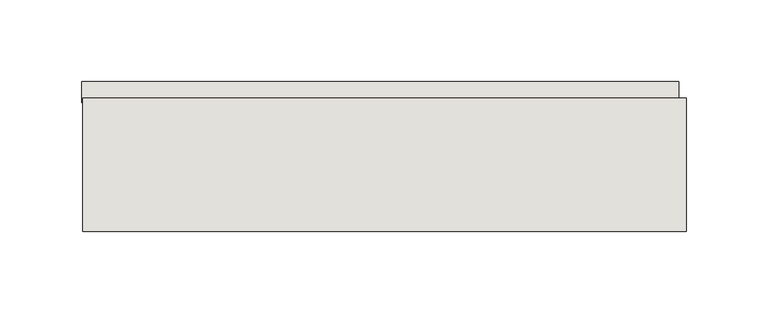
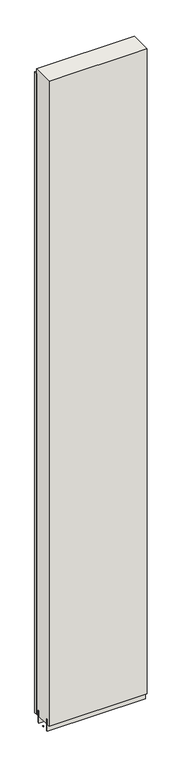
"""IFC4 building model written with IfcOpenShell, lengths in millimetres: wall geometry."""

from ifc_helpers import new_model, si_unit, frame, origin, place, context, project, spatial, polyline, outline, extrude, source, transform, mapped, element, save


def wall_ca928c20(model_context):
    return source(origin(), model_context, "Body", "SweptSolid", [
        extrude(outline(polyline([(49859.3368064, -39417.1245692), (49856.7968064, -39417.1245692), (49856.7968064, -39414.5845692), (49859.3368064, -39414.5845692), (49859.3368064, -39417.1245692)])), frame((0.0, 0.0, 4419.6), z_axis=(0.0, 0.0, 1.0), x_axis=(1.0, 0.0, 0.0)), (0.0, 0.0, 1.0), 2.54),
        extrude(outline(polyline([(49856.3326214, -39365.0545692), (50220.8952146, -39365.0545692), (50220.8952146, -39377.7545692), (49856.3326214, -39377.7545692), (49856.3326214, -39365.0545692)])), frame((0.0, 0.0, 4445.0), z_axis=(0.0, 0.0, 1.0), x_axis=(1.0, 0.0, 0.0)), (0.0, 0.0, 1.0), 2545.0498756),
        extrude(outline(polyline([(50225.3498158, -39390.7770222), (49856.7955618, -39390.7770222), (49856.7955618, -39385.6982668), (50225.3498158, -39385.6982668), (50225.3498158, -39390.7770222)])), frame((0.0, 0.0, 4418.6602), z_axis=(0.0, 0.0, 1.0), x_axis=(1.0, 0.0, 0.0)), (0.0, 0.0, 1.0), 47.625),
        extrude(outline(polyline([(50225.3498158, -39390.7770222), (49856.7955618, -39390.7770222), (49856.7955618, -39385.6982668), (50225.3498158, -39385.6982668), (50225.3498158, -39390.7770222)])), frame((0.0, 0.0, 4418.6602), z_axis=(0.0, 0.0, 1.0), x_axis=(1.0, 0.0, 0.0)), (0.0, 0.0, 1.0), 47.625),
        extrude(outline(polyline([(49856.7955618, -39440.9414126), (50225.3498158, -39440.9414126), (50225.3498158, -39446.0232668), (49856.7955618, -39446.0232668), (49856.7955618, -39440.9414126)])), frame((0.0, 0.0, 4418.6602), z_axis=(0.0, 0.0, 1.0), x_axis=(1.0, 0.0, 0.0)), (0.0, 0.0, 1.0), 47.625),
        extrude(outline(polyline([(49856.7955618, -39440.9414126), (50225.3498158, -39440.9414126), (50225.3498158, -39446.0232668), (49856.7955618, -39446.0232668), (49856.7955618, -39440.9414126)])), frame((0.0, 0.0, 4418.6602), z_axis=(0.0, 0.0, 1.0), x_axis=(1.0, 0.0, 0.0)), (0.0, 0.0, 1.0), 47.625),
        extrude(outline(polyline([(50225.3498158, -39375.2058824), (50225.3498158, -39456.4877366), (49856.7955618, -39456.4877366), (49856.7955618, -39375.2058824), (50225.3498158, -39375.2058824)])), frame((0.0, 0.0, 4445.0), z_axis=(0.0, 0.0, 1.0), x_axis=(1.0, 0.0, 0.0)), (0.0, 0.0, 1.0), 2562.4536762),
    ])


if __name__ == "__main__":
    model = new_model("IFC4")
    model_context = context("Model", 3, world=origin())
    ifc_project = project(units=[si_unit("LENGTHUNIT", "METRE", prefix="MILLI")], contexts=[model_context])
    site = spatial("IfcSite", under=ifc_project)
    building = spatial("IfcBuilding", under=site)
    placement = place(None, origin())
    wall_shape = wall_ca928c20(model_context)
    element("IfcWall", 1, at=placement, inside=building, context=model_context, shape_type="MappedRepresentation", body=[
        mapped(wall_shape, transform((0.0, 0.0, 0.0), x_axis=(1.0, 0.0, 0.0), y_axis=(0.0, 1.0, 0.0), z_axis=(0.0, 0.0, 1.0))),
    ])
    save(model, "model.ifc")
